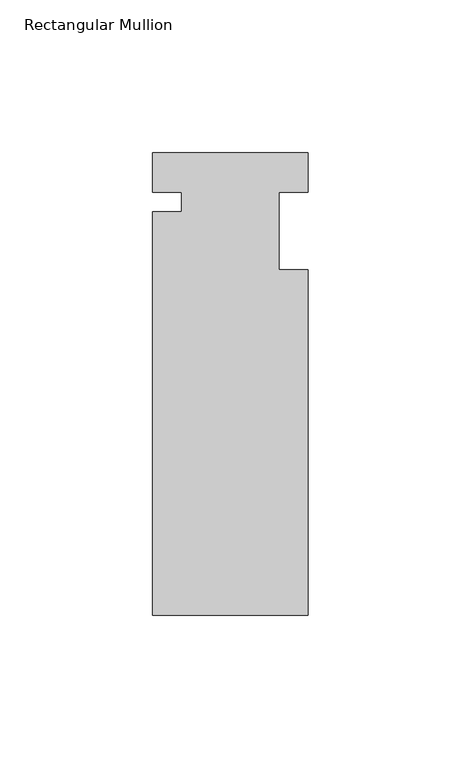
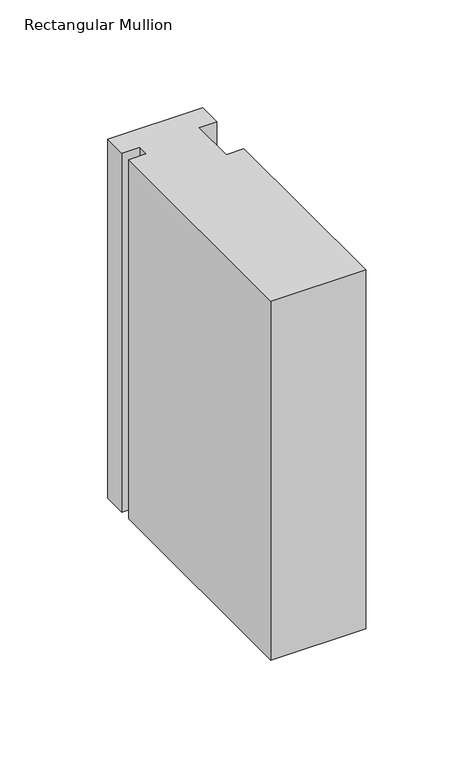
"""IFC4 building model written with IfcOpenShell, lengths in millimetres: member geometry, Rectangular Mullion."""

from ifc_helpers import new_model, si_unit, frame, origin, place, context, project, spatial, polyline, outline, extrude, source, transform, mapped, element, save


def rectangular_mullion_6e3cc2a5(model_context):
    return source(origin(), model_context, "Body", "SweptSolid", [
        extrude(outline(polyline([(-25.4, 12.88415), (25.4, 12.88415), (25.4, 0.0), (15.875, 0.0), (15.875, -25.4), (25.4, -25.4), (25.4, -138.29665), (-25.4, -138.29665), (-25.4, -6.35), (-15.875, -6.35), (-15.875, 0.0), (-25.4, 0.0), (-25.4, 12.88415)])), frame((0.0, 0.0, -203.2), z_axis=(0.0, 0.0, 1.0), x_axis=(1.0, 0.0, 0.0)), (0.0, 0.0, 1.0), 203.2),
    ])


if __name__ == "__main__":
    model = new_model("IFC4")
    model_context = context("Model", 3, world=origin())
    ifc_project = project(units=[si_unit("LENGTHUNIT", "METRE", prefix="MILLI")], contexts=[model_context])
    site = spatial("IfcSite", under=ifc_project)
    building = spatial("IfcBuilding", under=site)
    placement = place(None, origin())
    rectangular_mullion_shape = rectangular_mullion_6e3cc2a5(model_context)
    element("IfcMember", 1, ObjectType="Rectangular Mullion", at=placement, inside=building, context=model_context, shape_type="MappedRepresentation", body=[
        mapped(rectangular_mullion_shape, transform((0.0, 0.0, 0.0), x_axis=(1.0, 0.0, 0.0), y_axis=(0.0, 1.0, 0.0), z_axis=(0.0, 0.0, 1.0))),
    ])
    save(model, "model.ifc")
